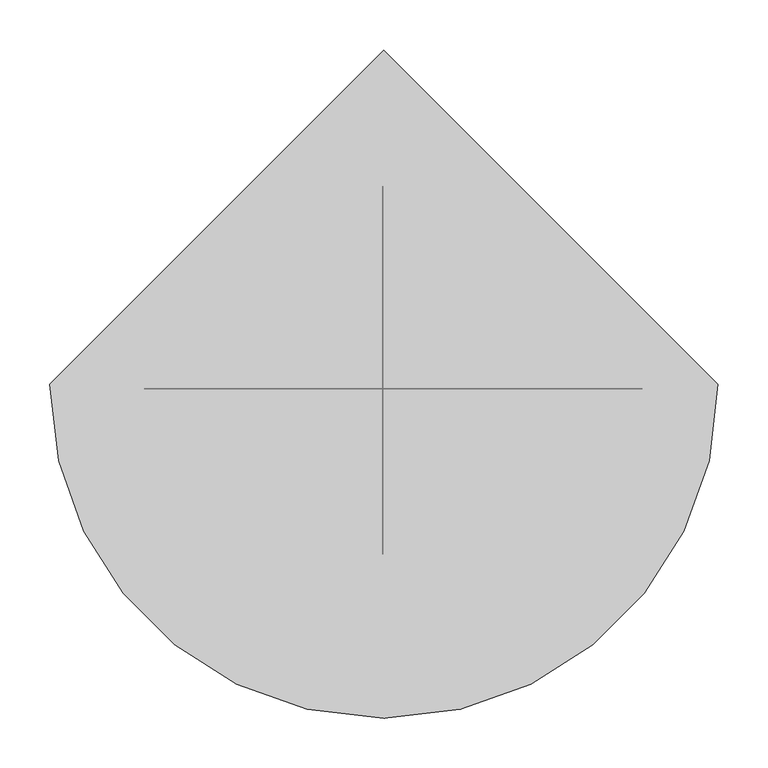
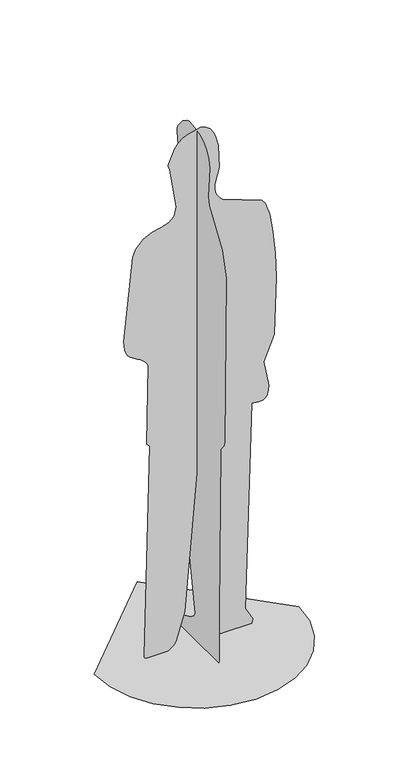
"""IFC4 building model written with IfcOpenShell, lengths in millimetres: proxy geometry."""

from ifc_helpers import new_model, si_unit, origin, place, context, project, spatial, triangles, source, transform, mapped, element, save


def entourage_90c61d85(model_context):
    return source(origin(), model_context, "Body", "Tessellation", [
        triangles([(-180.7520848, -4.45e-05, 5.61e-05), (-184.2428783, -8.8e-06, 2.7953159), (-186.1722845, 1.66e-05, 5.8375037), (-186.8317464, 3.35e-05, 9.1275735), (-168.2847136, 8.5e-06, 733.0655743), (-173.8813923, 8.5e-06, 735.2245268), (-177.6699692, 8.1e-06, 740.933626), (-174.1986331, -8.1e-06, 1013.6688681), (-179.5913999, -8.8e-06, 1024.1657564), (-188.0396306, -9.6e-06, 1032.776568), (-198.5268175, -9.9e-06, 1040.1131115), (-210.0364347, -1.03e-05, 1046.7870501), (-221.5521744, -1.07e-05, 1053.4098289), (-232.0573471, -1.1e-05, 1060.5935474), (-240.5355178, -1.14e-05, 1068.9494328), (-245.9520113, -1.21e-05, 1078.9886456), (-249.738826, -1.29e-05, 1091.9828379), (-252.1553936, -1.4e-05, 1106.9305447), (-253.4609098, -1.47e-05, 1122.8302282), (-224.2189811, -3.16e-05, 1405.0553707), (-213.7950534, -3.31e-05, 1430.202673), (-189.1320602, -3.46e-05, 1456.0851048), (-160.6250248, -3.53e-05, 1468.8744404), (-131.9230613, -3.57e-05, 1475.6385624), (-106.6753564, -3.64e-05, 1483.4444813), (-88.5310696, -3.71e-05, 1499.3602249), (-81.1393152, -3.9e-05, 1530.4523678), (-102.9420995, -4.71e-05, 1666.4706642), (-107.9472991, -4.78e-05, 1679.2659588), (-108.1475049, -4.82e-05, 1680.5750359), (-107.9848786, -4.82e-05, 1682.7597862), (-107.5268942, -4.82e-05, 1685.5199375), (-106.8410076, -4.86e-05, 1688.5562347), (-86.6409506, -5.11e-05, 1733.0913071), (-74.2774702, -5.19e-05, 1747.7193386), (-59.5121923, -5.26e-05, 1759.6604702), (-42.3631437, -5.33e-05, 1768.7786636), (-0.985526, -5.37e-05, 1778.0000484), (15.8808848, -5.33e-05, 1772.5537239), (29.1619713, -5.26e-05, 1761.5648598), (39.2640596, -5.19e-05, 1747.0972836), (46.5934905, -5.08e-05, 1731.2151134), (56.0091903, -4.89e-05, 1695.7216404), (59.1639804, -4.41e-05, 1618.2096565), (44.4858566, -4.12e-05, 1564.728764), (44.3096955, -4.05e-05, 1551.1871487), (46.5533085, -3.94e-05, 1537.928801), (51.2886617, -3.86e-05, 1525.4368309), (58.5876893, -3.83e-05, 1514.1934765), (68.5223527, -3.75e-05, 1504.6817024), (198.4031332, -3.46e-05, 1454.5815628), (210.7096676, -3.38e-05, 1440.8303673), (224.9006982, -3.13e-05, 1397.845491), (235.5370584, -2.72e-05, 1333.6076969), (242.7581838, -2.28e-05, 1256.1539944), (246.7033826, -1.77e-05, 1173.5217562), (240.2782843, -5.9e-06, 974.9295176), (206.0814981, -1.1e-06, 891.6227566), (221.1963095, 4e-06, 805.6637592), (220.4651768, 5.1e-06, 788.6204681), (214.9949983, 6.3e-06, 771.8049248), (210.3553106, 6.6e-06, 765.7305136), (204.1669347, 6.6e-06, 762.0922909), (196.8960849, 7e-06, 760.3985716), (189.0091026, 7e-06, 760.1578159), (180.9722204, 7e-06, 760.8779028), (173.2516706, 6.6e-06, 762.0673651), (166.3136674, 6.6e-06, 763.2342997), (144.8011906, 4.49e-05, 59.4753214), (168.627625, 4.74e-05, 15.3365923), (166.1986854, -4.45e-05, 5.61e-05), (66.1332407, -4.45e-05, 5.61e-05), (49.8425291, -1.03e-05, 3.9765611), (39.0246438, 1.36e-05, 14.0353079), (32.5983191, 2.91e-05, 28.3297275), (-2.744106, 9.2e-06, 720.0463108), (-54.0725352, 1.03e-05, 117.9433913), (-81.3720589, -2.13e-05, 28.0047564), (-85.5237496, -2.69e-05, 19.9172799), (-91.2434313, -3.27e-05, 12.569124), (-99.2451958, -3.86e-05, 5.9378916), (-110.2432618, -4.45e-05, 5.61e-05), (-13.8237486, -127.6719491, 9.9621202), (-13.8238042, -127.2618269, 182.0843436), (-13.8237883, -135.2636459, 744.8699409), (-13.8237883, -136.4150655, 748.3464729), (-13.8237883, -139.3955431, 752.5740492), (-13.8237883, -143.4944753, 757.5063063), (-13.8237883, -148.0011678, 763.0967354), (-13.8237883, -152.2050719, 769.2988277), (-13.8237872, -155.3954567, 776.0660746), (-13.8237872, -156.8617008, 783.3521124), (-13.823769, -165.9465932, 1358.6144554), (-13.8237679, -143.2744033, 1442.0935169), (-13.8237645, -71.1145909, 1552.8594303), (-13.8237645, -64.3402088, 1580.52155), (-13.823761, -73.5344423, 1684.7962898), (-13.823761, -67.2131576, 1712.2171452), (-13.823761, -55.2412502, 1734.9080566), (-13.823761, -37.9260417, 1752.7547871), (-13.823761, -15.5748862, 1765.6435352), (-13.823761, 11.5049141, 1773.4603546), (-13.823761, 43.0060141, 1776.0911533), (-13.823761, 55.0860544, 1772.9173645), (-13.823761, 79.7039013, 1756.3228832), (-13.8237633, 107.489678, 1722.3487942), (-13.8237633, 111.5712331, 1713.0111374), (-13.8237633, 112.222992, 1702.3027794), (-13.8237667, 99.083278, 1611.9293713), (-13.8237667, 100.6007817, 1597.8215115), (-13.8237679, 96.7552315, 1579.0665516), (-13.823769, 31.1784725, 1488.4601635), (-13.8237803, 125.7984987, 1146.7478817), (-13.8237803, 134.1994394, 1137.675761), (-13.8237826, 184.2799945, 1119.3931561), (-13.8237826, 194.4650741, 1111.9401226), (-13.8237826, 201.1344345, 1100.3807264), (-13.8237838, 203.5509657, 1084.206423), (-13.8237838, 200.9675115, 1068.9646208), (-13.8237838, 194.2821819, 1055.8713066), (-13.8237838, 184.3929236, 1046.142104), (-13.8237838, 172.1979013, 1040.9932903), (-13.8237838, 158.5950979, 1041.6404892), (-13.8237838, 144.4825418, 1049.2996874), (-13.8237917, 123.0430165, 785.7652645), (-13.8237928, 116.9063816, 707.2433132), (-13.8237997, 10.2023739, 90.6853713), (-13.8238019, 17.9839052, 76.1482317), (-13.8238031, 35.4714586, 63.8067748), (-13.8238121, 104.5965861, 31.8661645), (-13.8238133, 119.3345037, 20.2173774), (-13.8238144, 122.9915752, 6.7192125), (-13.8238121, 122.0607817, 4.3675023), (-13.8237974, 120.3452342, 2.3141491), (-13.8237803, 119.1854304, 1.4285661), (-13.8237542, 117.8200068, 0.6534774), (-13.8237179, 116.2459023, 5.61e-05), (-13.8237145, -124.5016756, 0.0), (-348.4736423, 4.7230064, 0.0001684), (-339.5989297, -72.1961928, 0.0001684), (-314.32391, -142.8341776, 5.61e-05), (-274.6723695, -205.1670917, 5.61e-05), (-222.6682945, -257.1712212, 5.61e-05), (-160.335326, -296.8226708, 5.61e-05), (-89.6973593, -322.0977087, 5.61e-05), (-12.7781717, -330.9724214, 5.61e-05), (64.1410249, -322.097745, 5.61e-05), (134.7790098, -296.8227253, 5.61e-05), (197.1119329, -257.171203, 5.61e-05), (249.1161169, -205.167128, 5.61e-05), (288.7675302, -142.8341322, 5.61e-05), (314.0425681, -72.1961337, 0.0001684), (322.9173171, 4.7230357, 0.0001684), (-12.7782308, 340.4184291, 0.0001684)], [[70, 71, 72], [69, 70, 72], [69, 72, 73], [69, 73, 74], [69, 74, 75], [69, 75, 76], [68, 69, 76], [82, 1, 2], [82, 2, 3], [82, 3, 4], [81, 82, 4], [80, 81, 4], [79, 80, 4], [78, 79, 4], [77, 78, 4], [77, 4, 5], [76, 77, 5], [5, 6, 7], [76, 5, 7], [76, 7, 8], [68, 76, 8], [67, 68, 8], [66, 67, 8], [65, 66, 8], [64, 65, 8], [63, 64, 8], [62, 63, 8], [61, 62, 8], [60, 61, 8], [59, 60, 8], [58, 59, 8], [57, 58, 8], [56, 57, 8], [56, 8, 9], [55, 56, 9], [55, 9, 10], [54, 55, 10], [54, 10, 11], [53, 54, 11], [53, 11, 12], [52, 53, 12], [51, 52, 12], [50, 51, 12], [50, 12, 13], [50, 13, 14], [50, 14, 15], [50, 15, 16], [50, 16, 17], [50, 17, 18], [50, 18, 19], [50, 19, 20], [50, 20, 21], [50, 21, 22], [50, 22, 23], [50, 23, 24], [50, 24, 25], [50, 25, 26], [49, 50, 26], [48, 49, 26], [48, 26, 27], [47, 48, 27], [46, 47, 27], [45, 46, 27], [44, 45, 27], [44, 27, 28], [43, 44, 28], [42, 43, 28], [42, 28, 29], [42, 29, 30], [42, 30, 31], [42, 31, 32], [42, 32, 33], [42, 33, 34], [42, 34, 35], [42, 35, 36], [42, 36, 37], [41, 42, 37], [40, 41, 37], [40, 37, 38], [40, 38, 39], [137, 138, 83], [137, 83, 84], [136, 137, 84], [135, 136, 84], [130, 131, 132], [130, 132, 133], [130, 133, 134], [130, 134, 135], [122, 123, 124], [121, 122, 124], [120, 121, 124], [119, 120, 124], [118, 119, 124], [117, 118, 124], [116, 117, 124], [115, 116, 124], [114, 115, 124], [113, 114, 124], [106, 107, 108], [105, 106, 108], [104, 105, 108], [103, 104, 108], [102, 103, 108], [101, 102, 108], [100, 101, 108], [99, 100, 108], [98, 99, 108], [97, 98, 108], [97, 108, 109], [97, 109, 110], [97, 110, 111], [96, 97, 111], [95, 96, 111], [95, 111, 112], [94, 95, 112], [93, 94, 112], [93, 112, 113], [92, 93, 113], [92, 113, 124], [92, 124, 125], [91, 92, 125], [90, 91, 125], [89, 90, 125], [88, 89, 125], [87, 88, 125], [86, 87, 125], [86, 125, 126], [85, 86, 126], [85, 126, 127], [84, 85, 127], [84, 127, 128], [135, 84, 128], [135, 128, 129], [130, 135, 129], [153, 154, 139], [152, 153, 139], [152, 139, 140], [151, 152, 140], [151, 140, 141], [151, 141, 142], [150, 151, 142], [149, 150, 142], [149, 142, 143], [149, 143, 144], [149, 144, 145], [149, 145, 146], [149, 146, 147], [149, 147, 148]], closed=False),
    ])


if __name__ == "__main__":
    model = new_model("IFC4")
    model_context = context("Model", 3, world=origin())
    ifc_project = project(units=[si_unit("LENGTHUNIT", "METRE", prefix="MILLI")], contexts=[model_context])
    site = spatial("IfcSite", under=ifc_project)
    building = spatial("IfcBuilding", under=site)
    placement = place(None, origin())
    entourage_shape = entourage_90c61d85(model_context)
    element("IfcBuildingElementProxy", 1, Name="Entourage", at=placement, inside=building, context=model_context, shape_type="MappedRepresentation", body=[
        mapped(entourage_shape, transform((0.0, 0.0, 0.0), x_axis=(1.0, 0.0, 0.0), y_axis=(0.0, 1.0, 0.0), z_axis=(0.0, 0.0, 1.0))),
    ])
    save(model, "model.ifc")
